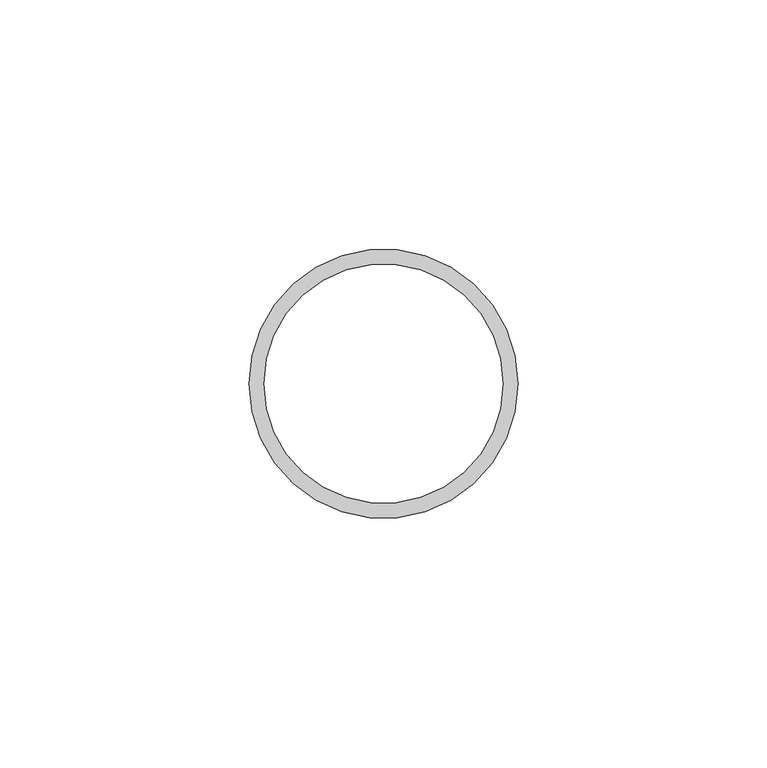
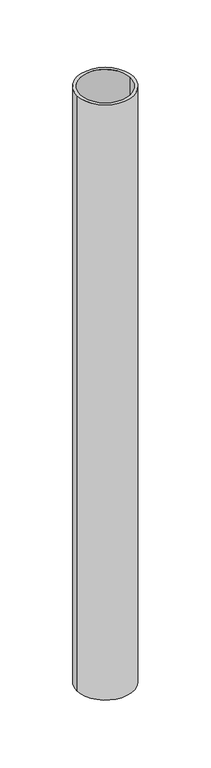
"""IFC4 building model written with IfcOpenShell, lengths in millimetres: beam geometry."""

from ifc_helpers import new_model, si_unit, point, frame, origin, origin_2d, place, context, project, spatial, circle_curve, trimmed, segment, composite_curve, outline, extrude, source, transform, mapped, element, save


def beam_1f989caa(model_context):
    return source(origin(), model_context, "Body", "SweptSolid", [
        extrude(outline(composite_curve([segment(trimmed(circle_curve(origin_2d(), 27.0), [point((27.0, 0.0))], [point((-27.0, 0.0))], False, "CARTESIAN"), True, "CONTINUOUS"), segment(trimmed(circle_curve(origin_2d(), 27.0), [point((-27.0, 0.0))], [point((27.0, 0.0))], False, "CARTESIAN"), True, "CONTINUOUS")], self_intersect=False), holes=[composite_curve([segment(trimmed(circle_curve(origin_2d(), 24.0), [point((24.0, 0.0))], [point((-24.0, 0.0))], True, "CARTESIAN"), True, "CONTINUOUS"), segment(trimmed(circle_curve(origin_2d(), 24.0), [point((-24.0, 0.0))], [point((24.0, 0.0))], True, "CARTESIAN"), True, "CONTINUOUS")], self_intersect=False)]), frame((0.0, 0.0, -600.0), z_axis=(0.0, 0.0, 1.0), x_axis=(1.0, 0.0, 0.0)), (0.0, 0.0, 1.0), 600.0),
    ])


if __name__ == "__main__":
    model = new_model("IFC4")
    model_context = context("Model", 3, world=origin())
    ifc_project = project(units=[si_unit("LENGTHUNIT", "METRE", prefix="MILLI")], contexts=[model_context])
    site = spatial("IfcSite", under=ifc_project)
    building = spatial("IfcBuilding", under=site)
    placement = place(None, origin())
    beam_shape = beam_1f989caa(model_context)
    element("IfcBeam", 1, at=placement, inside=building, context=model_context, shape_type="MappedRepresentation", body=[
        mapped(beam_shape, transform((0.0, 0.0, 0.0), x_axis=(1.0, 0.0, 0.0), y_axis=(0.0, 1.0, 0.0), z_axis=(0.0, 0.0, 1.0))),
    ])
    save(model, "model.ifc")
